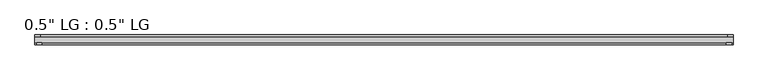
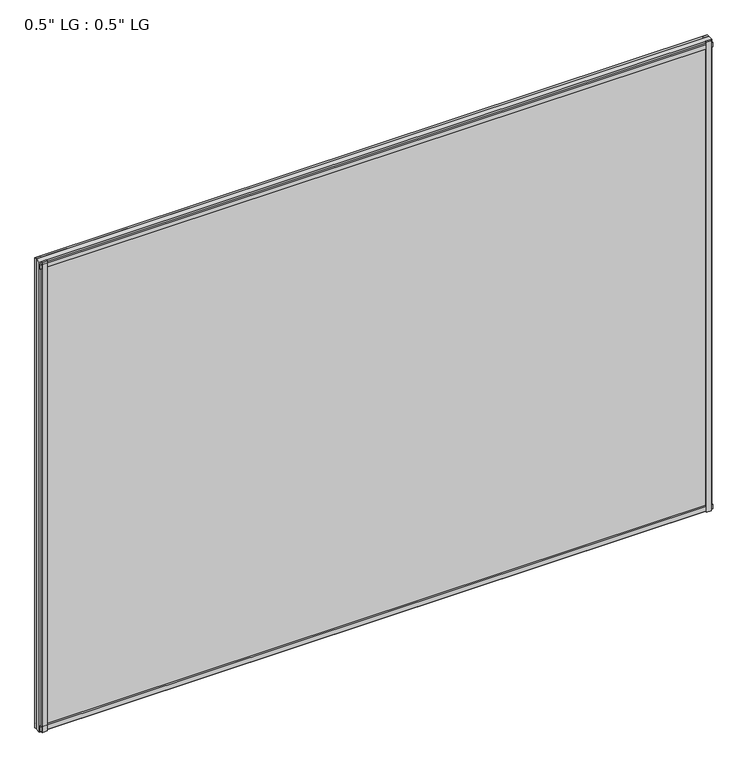
"""IFC4 building model written with IfcOpenShell, lengths in millimetres: plate geometry."""

from ifc_helpers import new_model, si_unit, frame, origin, origin_with_axes, place, context, project, spatial, polyline, outline, extrude, source, transform, mapped, element, save


def plate_c09c99e0(model_context):
    return source(origin(), model_context, "Body", "SweptSolid", [
        extrude(outline(polyline([(800.6029961, 33.3271813), (788.4653165, 33.3271813), (788.4653165, 38.0007813), (800.6029961, 38.0007813), (800.6029961, 33.3271813)])), origin_with_axes(), (0.0, 0.0, 1.0), 1181.7821763),
        extrude(outline(polyline([(797.0716424, 15.5217813), (785.0592185, 15.5217813), (785.0592185, 19.7127813), (797.0716424, 19.7127813), (797.0716424, 15.5217813)])), origin_with_axes(), (0.0, 0.0, 1.0), 1181.7821763),
        extrude(outline(polyline([(-788.3124181, 38.0007812), (-788.3124181, 33.3271813), (-800.6029961, 33.3271813), (-800.6029961, 38.0007812), (-788.3124181, 38.0007812)])), origin_with_axes(), (0.0, 0.0, 1.0), 1181.7821763),
        extrude(outline(polyline([(-784.3531802, 19.7127813), (-784.3531802, 15.5217812), (-796.6437581, 15.5217812), (-796.6437581, 19.7127813), (-784.3531802, 19.7127813)])), origin_with_axes(), (0.0, 0.0, 1.0), 1181.7821763),
        extrude(outline(polyline([(800.6029961, 33.3271813), (-800.6029961, 33.3271813), (-800.6029961, 38.0007812), (800.6029961, 38.0007813), (800.6029961, 33.3271813)])), origin_with_axes(), (0.0, 0.0, 1.0), 11.1693096),
        extrude(outline(polyline([(800.6029961, 15.3590708), (-800.6029961, 15.3590708), (-800.6029961, 20.1364307), (800.6029961, 20.1364307), (800.6029961, 15.3590708)])), frame((0.0, 0.0, 3.848913), z_axis=(0.0, 0.0, 1.0), x_axis=(1.0, 0.0, 0.0)), (0.0, 0.0, 1.0), 11.1693096),
        extrude(outline(polyline([(800.6029961, 33.3271813), (-800.6029961, 33.3271813), (-800.6029961, 38.0007812), (800.6029961, 38.0007813), (800.6029961, 33.3271813)])), frame((0.0, 0.0, 1170.6010704), z_axis=(0.0, 0.0, 1.0), x_axis=(1.0, 0.0, 0.0)), (0.0, 0.0, 1.0), 11.1811058),
        extrude(outline(polyline([(800.6029961, 15.5217813), (-800.6029961, 15.5217813), (-800.6029961, 19.7127812), (800.6029961, 19.7127813), (800.6029961, 15.5217813)])), frame((0.0, 0.0, 1166.0419237), z_axis=(0.0, 0.0, 1.0), x_axis=(1.0, 0.0, 0.0)), (0.0, 0.0, 1.0), 11.1811058),
        extrude(outline(polyline([(800.6029961, 33.3271812), (800.6029961, 19.7127812), (-800.6029961, 19.7127812), (-800.6029961, 33.3271812), (800.6029961, 33.3271812)])), origin_with_axes(), (0.0, 0.0, 1.0), 1181.7821763),
    ])


if __name__ == "__main__":
    model = new_model("IFC4")
    model_context = context("Model", 3, world=origin())
    ifc_project = project(units=[si_unit("LENGTHUNIT", "METRE", prefix="MILLI")], contexts=[model_context])
    site = spatial("IfcSite", under=ifc_project)
    building = spatial("IfcBuilding", under=site)
    placement = place(None, origin())
    plate_shape = plate_c09c99e0(model_context)
    element("IfcPlate", 1, ObjectType="0.5\" LG : 0.5\" LG", at=placement, inside=building, context=model_context, shape_type="MappedRepresentation", body=[
        mapped(plate_shape, transform((0.0, 0.0, 0.0), x_axis=(1.0, 0.0, 0.0), y_axis=(0.0, 1.0, 0.0), z_axis=(0.0, 0.0, 1.0))),
    ])
    save(model, "model.ifc")
